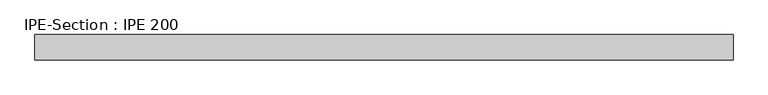
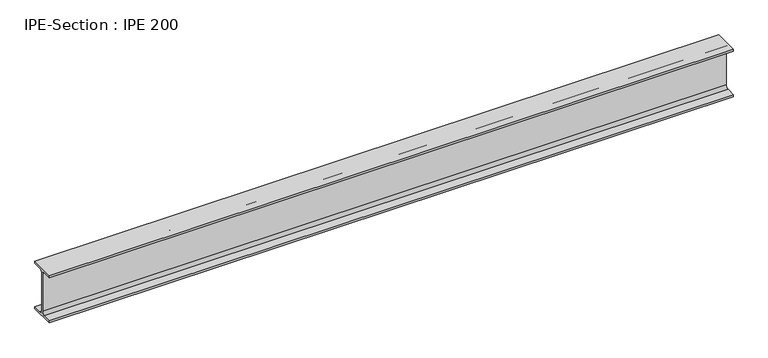
"""IFC4 building model written with IfcOpenShell, lengths in millimetres: beam geometry, IPE-Section : IPE 200."""

from ifc_helpers import new_model, si_unit, point, frame, frame_2d, origin, place, context, project, spatial, polyline, circle_curve, trimmed, segment, composite_curve, outline, extrude, source, transform, mapped, element, save


def ipe_section_ipe_200_3455e1c1(model_context):
    return source(origin(), model_context, "Body", "SweptSolid", [
        extrude(outline(composite_curve([segment(polyline([(-50.0, -91.5), (-14.8, -91.5)]), True, "CONTINUOUS"), segment(trimmed(circle_curve(frame_2d((-14.8, -79.5)), 12.0), [point((-14.8, -91.5))], [point((-2.8, -79.5))], True, "CARTESIAN"), True, "CONTINUOUS"), segment(polyline([(-2.8, -79.5), (-2.8, 79.5)]), True, "CONTINUOUS"), segment(trimmed(circle_curve(frame_2d((-14.8, 79.5)), 12.0), [point((-2.8, 79.5))], [point((-14.8, 91.5))], True, "CARTESIAN"), True, "CONTINUOUS"), segment(polyline([(-14.8, 91.5), (-50.0, 91.5), (-50.0, 100.0), (50.0, 100.0), (50.0, 91.5), (14.8, 91.5)]), True, "CONTINUOUS"), segment(trimmed(circle_curve(frame_2d((14.8, 79.5)), 12.0), [point((14.8, 91.5))], [point((2.8, 79.5))], True, "CARTESIAN"), True, "CONTINUOUS"), segment(polyline([(2.8, 79.5), (2.8, -79.5)]), True, "CONTINUOUS"), segment(trimmed(circle_curve(frame_2d((14.8, -79.5)), 12.0), [point((2.8, -79.5))], [point((14.8, -91.5))], True, "CARTESIAN"), True, "CONTINUOUS"), segment(polyline([(14.8, -91.5), (50.0, -91.5), (50.0, -100.0), (-50.0, -100.0), (-50.0, -91.5)]), True, "CONTINUOUS")], self_intersect=False)), frame((-1367.3, 0.0, 0.0), z_axis=(1.0, 0.0, 0.0), x_axis=(0.0, 1.0, 0.0)), (0.0, 0.0, 1.0), 2734.6),
    ])


if __name__ == "__main__":
    model = new_model("IFC4")
    model_context = context("Model", 3, world=origin())
    ifc_project = project(units=[si_unit("LENGTHUNIT", "METRE", prefix="MILLI")], contexts=[model_context])
    site = spatial("IfcSite", under=ifc_project)
    building = spatial("IfcBuilding", under=site)
    placement = place(None, origin())
    ipe_section_ipe_200_shape = ipe_section_ipe_200_3455e1c1(model_context)
    element("IfcBeam", 1, ObjectType="IPE-Section : IPE 200", at=placement, inside=building, context=model_context, shape_type="MappedRepresentation", body=[
        mapped(ipe_section_ipe_200_shape, transform((0.0, 0.0, 0.0), x_axis=(1.0, 0.0, 0.0), y_axis=(0.0, 1.0, 0.0), z_axis=(0.0, 0.0, 1.0))),
    ])
    save(model, "model.ifc")
